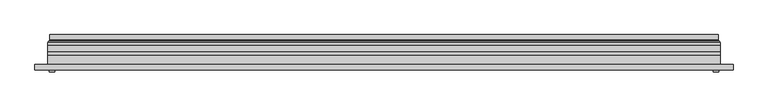
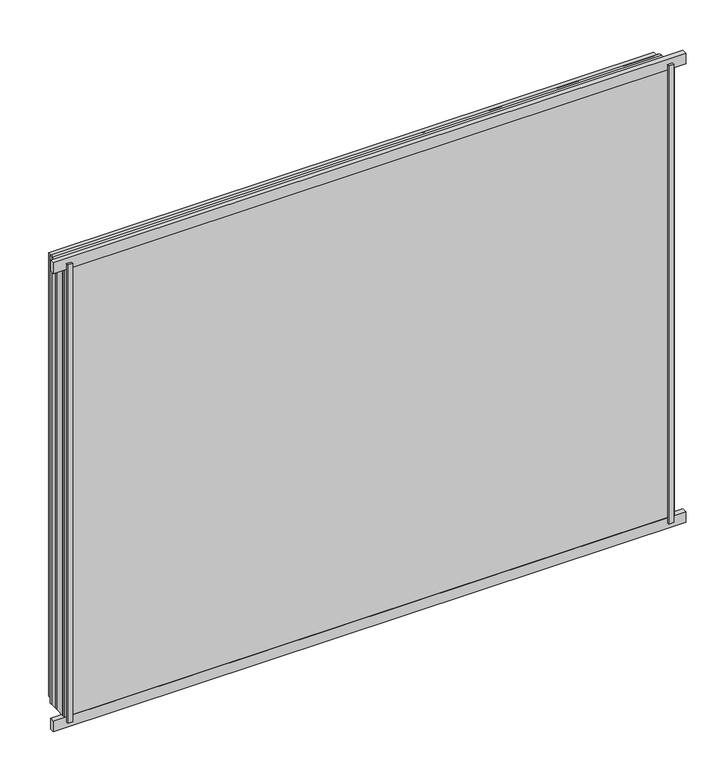
"""IFC4 building model written with IfcOpenShell, lengths in millimetres: plate geometry."""

from ifc_helpers import new_model, si_unit, frame, origin, origin_with_axes, place, context, project, spatial, polyline, ellipse_curve, outline, extrude, source, transform, mapped, element, save
from ifc_brep_helpers import plane_surface, cylinder_surface, revolved_surface, advanced_brep


def plate_8380f474(model_context):
    return source(origin(), model_context, "Body", "SolidModel", [
        extrude(outline(polyline([(33.5, -591.5), (33.5, 591.5), (941.5, 591.5), (941.5, -591.5), (33.5, -591.5)]), holes=[polyline([(38.5, 586.5), (38.5, -586.5), (936.5, -586.5), (936.5, 586.5), (38.5, 586.5)])]), frame((0.0, 0.0, 0.0), z_axis=(0.0, 1.0, 0.0), x_axis=(0.0, 0.0, 1.0)), (0.0, 0.0, 1.0), 12.0),
        extrude(outline(polyline([(11.5, -613.5), (11.5, 613.5), (963.5, 613.5), (963.5, -613.5), (11.5, -613.5)]), holes=[polyline([(33.5, 591.5), (33.5, -591.5), (941.5, -591.5), (941.5, 591.5), (33.5, 591.5)])]), frame((0.0, -26.0, 0.0), z_axis=(0.0, 1.0, 0.0), x_axis=(0.0, 0.0, 1.0)), (0.0, 0.0, 1.0), 20.0),
        extrude(outline(polyline([(11.5, -613.5), (11.5, 613.5), (963.5, 613.5), (963.5, -613.5), (11.5, -613.5)]), holes=[polyline([(33.5, 591.5), (33.5, -591.5), (941.5, -591.5), (941.5, 591.5), (33.5, 591.5)])]), frame((0.0, -26.0, 0.0), z_axis=(0.0, 1.0, 0.0), x_axis=(0.0, 0.0, 1.0)), (0.0, 0.0, 1.0), 20.0),
        extrude(outline(polyline([(613.5, -6.0), (-613.5, -6.0), (-613.5, 0.0), (613.5, 0.0), (613.5, -6.0)])), frame((0.0, 0.0, 11.5), z_axis=(0.0, 0.0, 1.0), x_axis=(1.0, 0.0, 0.0)), (0.0, 0.0, 1.0), 952.0),
        extrude(outline(polyline([(600.0, -32.0), (610.0, -32.0), (610.0, -36.0), (600.0, -36.0), (600.0, -32.0)])), origin_with_axes(), (0.0, 0.0, 1.0), 975.0),
        extrude(outline(polyline([(-600.0, -32.0), (-600.0, -36.0), (-610.0, -36.0), (-610.0, -32.0), (-600.0, -32.0)])), origin_with_axes(), (0.0, 0.0, 1.0), 975.0),
        extrude(outline(polyline([(636.5, -32.0), (-636.5, -32.0), (-636.5, -22.51), (636.5, -22.51), (636.5, -32.0)])), frame((0.0, 0.0, -11.5), z_axis=(0.0, 0.0, 1.0), x_axis=(1.0, 0.0, 0.0)), (0.0, 0.0, 1.0), 23.0),
        extrude(outline(polyline([(636.5, -32.0), (-636.5, -32.0), (-636.5, -22.51), (636.5, -22.51), (636.5, -32.0)])), frame((0.0, 0.0, 963.5), z_axis=(0.0, 0.0, 1.0), x_axis=(1.0, 0.0, 0.0)), (0.0, 0.0, 1.0), 23.0),
        extrude(outline(polyline([(11.5, -613.5), (11.5, 613.5), (963.5, 613.5), (963.5, -613.5), (11.5, -613.5)]), holes=[polyline([(33.5, 591.5), (33.5, -591.5), (941.5, -591.5), (941.5, 591.5), (33.5, 591.5)])]), frame((0.0, 0.0, 0.0), z_axis=(0.0, 1.0, 0.0), x_axis=(0.0, 0.0, 1.0)), (0.0, 0.0, 1.0), 12.0),
        extrude(outline(polyline([(33.5, -591.5), (33.5, 591.5), (941.5, 591.5), (941.5, -591.5), (33.5, -591.5)]), holes=[polyline([(38.5, 586.5), (38.5, -586.5), (936.5, -586.5), (936.5, 586.5), (38.5, 586.5)])]), frame((0.0, -26.0, 0.0), z_axis=(0.0, 1.0, 0.0), x_axis=(0.0, 0.0, 1.0)), (0.0, 0.0, 1.0), 20.0),
        extrude(outline(polyline([(613.5, 18.0), (613.5, 12.0), (-613.5, 12.0), (-613.5, 18.0), (613.5, 18.0)])), frame((0.0, 0.0, 11.5), z_axis=(0.0, 0.0, 1.0), x_axis=(1.0, 0.0, 0.0)), (0.0, 0.0, 1.0), 952.0),
        extrude(outline(polyline([(-613.5, -32.0), (-613.5, -26.0), (613.5, -26.0), (613.5, -32.0), (-613.5, -32.0)])), frame((0.0, 0.0, 11.5), z_axis=(0.0, 0.0, 1.0), x_axis=(1.0, 0.0, 0.0)), (0.0, 0.0, 1.0), 952.0),
        advanced_brep(
        [(600.0000103, 32.0, 24.9999897), (-600.0000103, 32.0, 24.9999897), (-600.0000103, 21.9110895, 24.9999897), (600.0000103, 21.9110895, 24.9999897), (608.9986527, 23.3044663, 16.0013474), (-608.9986527, 23.3044663, 16.0013474), (-608.9986527, 32.0, 16.0013474), (608.9986527, 32.0, 16.0013474), (610.6689728, 20.9442833, 14.3310273), (-610.6689728, 20.9442833, 14.3310273), (610.2544044, 18.0034569, 14.7455956), (-610.2544044, 18.0034569, 14.7455956), (599.0620949, 20.2163959, 25.9379052), (-599.0620949, 20.2163959, 25.9379052), (-599.6992268, 18.0000006, 25.3007732), (599.6992268, 18.0000006, 25.3007732), (-600.0000103, 32.0, 950.0000103), (-600.0000103, 21.9110895, 950.0000103), (-608.9986527, 23.3044663, 958.9986526), (-608.9986527, 32.0, 958.9986526), (-610.6689728, 20.9442833, 960.6689727), (-610.2544044, 18.0034569, 960.2544044), (-599.0620949, 20.2163959, 949.0620948), (-599.6992268, 18.0000006, 949.6992268), (600.0000103, 32.0, 950.0000103), (600.0000103, 21.9110895, 950.0000103), (608.9986527, 23.3044663, 958.9986526), (608.9986527, 32.0, 958.9986526), (610.6689728, 20.9442833, 960.6689727), (610.2544044, 18.0034569, 960.2544044), (599.0620949, 20.2163959, 949.0620948), (599.6992268, 18.0000006, 949.6992268)],
        [
            (0, 1),
            (1, 2),
            (2, 3),
            (3, 0),
            (4, 5),
            (5, 6),
            (6, 7),
            (7, 4),
            (8, 9),
            (9, 5, ellipse_curve(frame((-611.3086832, 23.1681522, 13.6913168), z_axis=(-0.7071067811865475, 0.0, 0.7071067811865475), x_axis=(-0.7071067811865476, 0.0, -0.7071067811865474)), 3.2725594, 2.314049)),
            (4, 8, ellipse_curve(frame((611.3086832, 23.1681522, 13.6913168), z_axis=(0.7071067811865475, 0.0, 0.7071067811865475), x_axis=(-0.7071067811865476, 0.0, 0.7071067811865474)), 3.2725594, 2.314049)),
            (10, 11),
            (11, 9, ellipse_curve(frame((-610.2544044, 19.5030909, 14.7455956), z_axis=(0.7071067811865475, 0.0, -0.7071067811865475), x_axis=(0.7071067811865476, 0.0, 0.7071067811865474)), 2.1208028, 1.4996341)),
            (8, 10, ellipse_curve(frame((610.2544044, 19.5030909, 14.7455956), z_axis=(-0.7071067811865475, 0.0, -0.7071067811865475), x_axis=(0.7071067811865476, 0.0, -0.7071067811865474)), 2.1208028, 1.4996341)),
            (12, 13),
            (13, 14, ellipse_curve(frame((-599.6992268, 19.1997743, 25.3007732), z_axis=(0.7071067811865475, 0.0, -0.7071067811865475), x_axis=(0.7071067811865476, 0.0, 0.7071067811865474)), 1.6967361, 1.1997736)),
            (14, 15),
            (15, 12, ellipse_curve(frame((599.6992268, 19.1997743, 25.3007732), z_axis=(-0.7071067811865475, 0.0, -0.7071067811865475), x_axis=(0.7071067811865476, 0.0, -0.7071067811865474)), 1.6967361, 1.1997736)),
            (2, 13, ellipse_curve(frame((-598.0000051, 21.9110895, 26.9999949), z_axis=(-0.7071067811865475, 0.0, 0.7071067811865475), x_axis=(-0.7071067811865476, 0.0, -0.7071067811865474)), 2.8284345, 2.0000052)),
            (12, 3, ellipse_curve(frame((598.0000051, 21.9110895, 26.9999949), z_axis=(0.7071067811865475, 0.0, 0.7071067811865475), x_axis=(-0.7071067811865476, 0.0, 0.7071067811865474)), 2.8284345, 2.0000052)),
            (1, 16),
            (16, 17),
            (17, 2),
            (5, 18),
            (18, 19),
            (19, 6),
            (9, 20),
            (20, 18, ellipse_curve(frame((-611.3086832, 23.1681522, 961.3086832), z_axis=(0.7071067811865475, 0.0, 0.7071067811865475), x_axis=(-0.7071067811865474, 0.0, 0.7071067811865476)), 3.2725594, 2.314049)),
            (11, 21),
            (21, 20, ellipse_curve(frame((-610.2544044, 19.5030909, 960.2544044), z_axis=(-0.7071067811865475, 0.0, -0.7071067811865475), x_axis=(0.7071067811865474, 0.0, -0.7071067811865476)), 2.1208028, 1.4996341)),
            (13, 22),
            (22, 23, ellipse_curve(frame((-599.6992268, 19.1997743, 949.6992268), z_axis=(-0.7071067811865475, 0.0, -0.7071067811865475), x_axis=(0.7071067811865474, 0.0, -0.7071067811865476)), 1.6967361, 1.1997736)),
            (23, 14),
            (17, 22, ellipse_curve(frame((-598.0000051, 21.9110895, 948.0000051), z_axis=(0.7071067811865475, 0.0, 0.7071067811865475), x_axis=(-0.7071067811865474, 0.0, 0.7071067811865476)), 2.8284345, 2.0000052)),
            (16, 24),
            (24, 25),
            (25, 17),
            (18, 26),
            (26, 27),
            (27, 19),
            (20, 28),
            (28, 26, ellipse_curve(frame((611.3086832, 23.1681522, 961.3086832), z_axis=(0.7071067811865475, 0.0, -0.7071067811865475), x_axis=(0.7071067811865476, 0.0, 0.7071067811865474)), 3.2725594, 2.314049)),
            (21, 29),
            (29, 28, ellipse_curve(frame((610.2544044, 19.5030909, 960.2544044), z_axis=(-0.7071067811865475, 0.0, 0.7071067811865475), x_axis=(-0.7071067811865476, 0.0, -0.7071067811865474)), 2.1208028, 1.4996341)),
            (22, 30),
            (30, 31, ellipse_curve(frame((599.6992268, 19.1997743, 949.6992268), z_axis=(-0.7071067811865475, 0.0, 0.7071067811865475), x_axis=(-0.7071067811865476, 0.0, -0.7071067811865474)), 1.6967361, 1.1997736)),
            (31, 23),
            (25, 30, ellipse_curve(frame((598.0000051, 21.9110895, 948.0000051), z_axis=(0.7071067811865475, 0.0, -0.7071067811865475), x_axis=(0.7071067811865476, 0.0, 0.7071067811865474)), 2.8284345, 2.0000052)),
            (24, 0),
            (3, 25),
            (26, 4),
            (7, 27),
            (28, 8),
            (29, 10),
            (31, 15),
            (30, 12),
        ],
        [
            plane_surface(frame((600.0000103, 21.9110895, 24.9999897), z_axis=(0.0, 0.0, 1.0), x_axis=(-1.0, 0.0, 0.0))),
            plane_surface(frame((608.9986527, 32.0, 16.0013474), z_axis=(0.0, 0.0, -1.0), x_axis=(-1.0, 0.0, 0.0))),
            revolved_surface(polyline([(-613.6227321435756, 25.482201200000002, 13.6913168), (613.6227321435758, 25.482201200000002, 13.6913168)]), (600.0, 23.1681522, 13.6913168), (-1.0, 0.0, 0.0)),
            cylinder_surface(frame((600.0, 19.5030909, 14.7455956), z_axis=(1.0, 0.0, 0.0), x_axis=(0.0, 1.0, 0.0)), 1.4996341),
            cylinder_surface(frame((600.0, 19.1997743, 25.3007732), z_axis=(1.0, 0.0, 0.0), x_axis=(0.0, 1.0, 0.0)), 1.1997736),
            revolved_surface(polyline([(-600.0000103150919, 23.9110947, 26.9999949), (600.0000103150919, 23.9110947, 26.9999949)]), (600.0, 21.9110895, 26.9999949), (-1.0, 0.0, 0.0)),
            plane_surface(frame((-600.0000103, 21.9110895, 24.9999897), z_axis=(1.0, 0.0, 0.0), x_axis=(0.0, 0.0, 1.0))),
            plane_surface(frame((-608.9986527, 32.0, 16.0013474), z_axis=(-1.0, 0.0, 0.0), x_axis=(0.0, 0.0, 1.0))),
            revolved_surface(polyline([(-611.3086832, 25.482201200000002, 963.6227321435758), (-611.3086832, 25.482201200000002, 11.37726785642422)]), (-611.3086832, 23.1681522, 25.0), (0.0, 0.0, 1.0)),
            cylinder_surface(frame((-610.2544044, 19.5030909, 25.0), z_axis=(0.0, 0.0, -1.0), x_axis=(0.0, 1.0, 0.0)), 1.4996341),
            cylinder_surface(frame((-599.6992268, 19.1997743, 25.0), z_axis=(0.0, 0.0, -1.0), x_axis=(0.0, 1.0, 0.0)), 1.1997736),
            revolved_surface(polyline([(-598.0000051, 23.9110947, 950.0000103150919), (-598.0000051, 23.9110947, 24.99998968490802)]), (-598.0000051, 21.9110895, 25.0), (0.0, 0.0, 1.0)),
            plane_surface(frame((-600.0000103, 21.9110895, 950.0000103), z_axis=(0.0, 0.0, -1.0), x_axis=(1.0, 0.0, 0.0))),
            plane_surface(frame((-608.9986527, 32.0, 958.9986526), z_axis=(0.0, 0.0, 1.0), x_axis=(1.0, 0.0, 0.0))),
            revolved_surface(polyline([(613.6227321435756, 25.482201200000002, 961.3086832), (-613.6227321435758, 25.482201200000002, 961.3086832)]), (-600.0, 23.1681522, 961.3086832), (1.0, 0.0, 0.0)),
            cylinder_surface(frame((-600.0, 19.5030909, 960.2544044), z_axis=(-1.0, 0.0, 0.0), x_axis=(0.0, 1.0, 0.0)), 1.4996341),
            cylinder_surface(frame((-600.0, 19.1997743, 949.6992268), z_axis=(-1.0, 0.0, 0.0), x_axis=(0.0, 1.0, 0.0)), 1.1997736),
            revolved_surface(polyline([(600.0000103150919, 23.9110947, 948.0000051), (-600.0000103150919, 23.9110947, 948.0000051)]), (-600.0, 21.9110895, 948.0000051), (1.0, 0.0, 0.0)),
            plane_surface(frame((600.0000103, 21.9110895, 950.0000103), z_axis=(-1.0, 0.0, 0.0), x_axis=(0.0, 0.0, -1.0))),
            plane_surface(frame((608.9986527, 32.0, 958.9986526), z_axis=(1.0, 0.0, 0.0), x_axis=(0.0, 0.0, -1.0))),
            revolved_surface(polyline([(611.3086832, 25.482201200000002, 11.377267856424169), (611.3086832, 25.482201200000002, 963.6227321435758)]), (611.3086832, 23.1681522, 950.0), (0.0, 0.0, -1.0)),
            cylinder_surface(frame((610.2544044, 19.5030909, 950.0), z_axis=(0.0, 0.0, 1.0), x_axis=(0.0, 1.0, 0.0)), 1.4996341),
            plane_surface(frame((610.2544044, 18.0000006, 960.2544044), z_axis=(0.0, -1.0, 0.0), x_axis=(0.0, 0.0, -1.0))),
            cylinder_surface(frame((599.6992268, 19.1997743, 950.0), z_axis=(0.0, 0.0, 1.0), x_axis=(0.0, 1.0, 0.0)), 1.1997736),
            revolved_surface(polyline([(598.0000051, 23.9110947, 24.999989684908087), (598.0000051, 23.9110947, 950.0000103150919)]), (598.0000051, 21.9110895, 950.0), (0.0, 0.0, -1.0)),
            plane_surface(frame((600.0000103, 32.0, 950.0000103), z_axis=(0.0, 1.0, 0.0), x_axis=(0.0, 0.0, -1.0))),
        ],
        [
            (0, [[1, 2, 3, 4]]),
            (1, [[5, 6, 7, 8]]),
            (2, [[9, 10, -5, 11]]),
            (3, [[12, 13, -9, 14]]),
            (4, [[15, 16, 17, 18]]),
            (5, [[-3, 19, -15, 20]]),
            (6, [[21, 22, 23, -2]]),
            (7, [[24, 25, 26, -6]]),
            (8, [[27, 28, -24, -10]]),
            (9, [[29, 30, -27, -13]]),
            (10, [[31, 32, 33, -16]]),
            (11, [[-23, 34, -31, -19]]),
            (12, [[35, 36, 37, -22]]),
            (13, [[38, 39, 40, -25]]),
            (14, [[41, 42, -38, -28]]),
            (15, [[43, 44, -41, -30]]),
            (16, [[45, 46, 47, -32]]),
            (17, [[-37, 48, -45, -34]]),
            (18, [[49, -4, 50, -36]]),
            (19, [[51, -8, 52, -39]]),
            (20, [[53, -11, -51, -42]]),
            (21, [[54, -14, -53, -44]]),
            (22, [[-12, -54, -43, -29], [-17, -33, -47, 55]]),
            (23, [[56, -18, -55, -46]]),
            (24, [[-50, -20, -56, -48]]),
            (25, [[-7, -26, -40, -52], [-1, -49, -35, -21]]),
        ],
    ),
    ])


if __name__ == "__main__":
    model = new_model("IFC4")
    model_context = context("Model", 3, world=origin())
    ifc_project = project(units=[si_unit("LENGTHUNIT", "METRE", prefix="MILLI")], contexts=[model_context])
    site = spatial("IfcSite", under=ifc_project)
    building = spatial("IfcBuilding", under=site)
    placement = place(None, origin())
    plate_shape = plate_8380f474(model_context)
    element("IfcPlate", 1, at=placement, inside=building, context=model_context, shape_type="MappedRepresentation", body=[
        mapped(plate_shape, transform((0.0, 0.0, 0.0), x_axis=(1.0, 0.0, 0.0), y_axis=(0.0, 1.0, 0.0), z_axis=(0.0, 0.0, 1.0))),
    ])
    save(model, "model.ifc")
